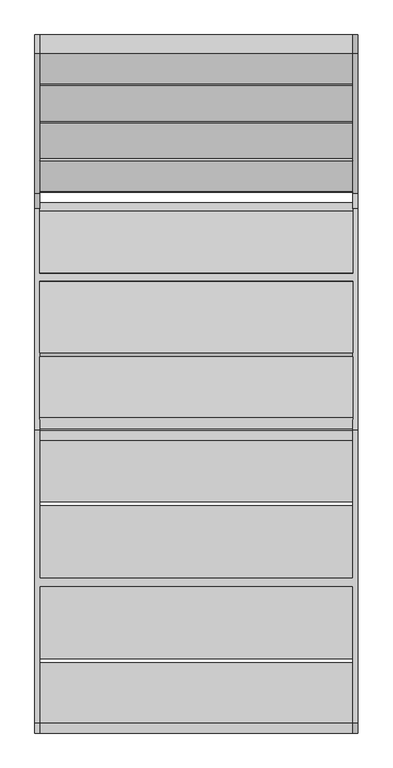
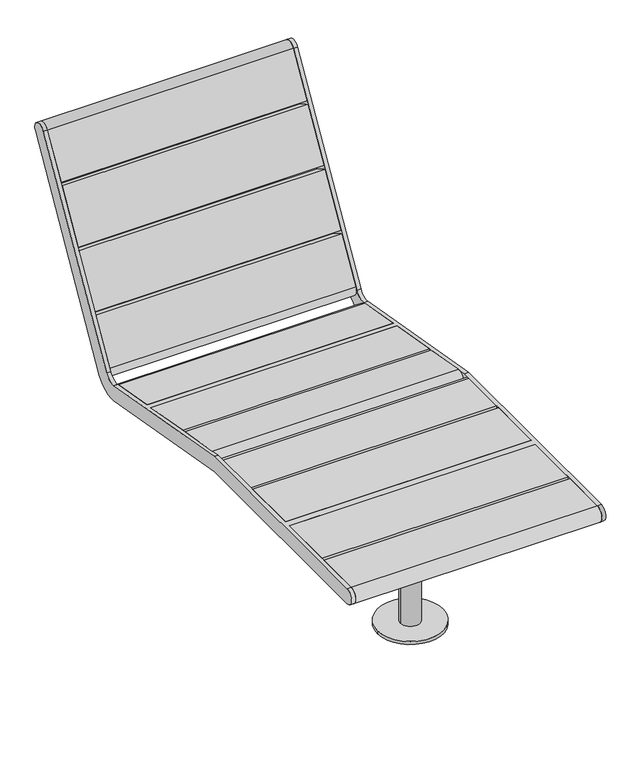
"""IFC4 building model written with IfcOpenShell, lengths in millimetres: furniture geometry."""

from ifc_helpers import new_model, si_unit, point, frame, frame_2d, origin, origin_with_axes, place, context, project, spatial, polyline, circle_curve, ellipse_curve, trimmed, segment, composite_curve, outline, extrude, source, transform, mapped, element, save
from ifc_brep_helpers import plane_surface, cylinder_surface, revolved_surface, advanced_brep


def furniture_3b8ddb16(model_context):
    return source(origin(), model_context, "Body", "SolidModel", [
        advanced_brep(
        [(-100.0, -721.5236916, 10.0), (100.0, -721.5236916, 10.0), (-30.0, -721.5236916, 10.0), (30.0, -721.5236916, 10.0), (-100.0, -721.5236916, 0.0), (100.0, -721.5236916, 0.0), (30.0, -721.5236916, 385.7752217), (-30.0, -721.5236916, 385.7752217), (49.7516144, -596.5236916, 401.7752217), (49.7516144, -846.5236916, 401.7752217), (49.7516144, -846.5236916, 385.7752217), (49.7516144, -596.5236916, 385.7752217), (-50.2483864, -596.5236916, 401.7752217), (-50.2483864, -596.5236916, 385.7752217), (-50.2483864, -846.5236916, 385.7752217), (-50.2483864, -846.5236916, 401.7752217)],
        [
            (0, 1, circle_curve(frame((0.0, -721.5236916, 10.0), z_axis=(0.0, 0.0, 1.0), x_axis=(1.0, 0.0, 0.0)), 100.0)),
            (1, 0, circle_curve(frame((0.0, -721.5236916, 10.0), z_axis=(0.0, 0.0, 1.0), x_axis=(1.0, 0.0, 0.0)), 100.0)),
            (2, 3, circle_curve(frame((0.0, -721.5236916, 10.0), z_axis=(0.0, 0.0, -1.0), x_axis=(1.0, 0.0, 0.0)), 30.0)),
            (3, 2, circle_curve(frame((0.0, -721.5236916, 10.0), z_axis=(0.0, 0.0, -1.0), x_axis=(1.0, 0.0, 0.0)), 30.0)),
            (4, 5, circle_curve(frame((0.0, -721.5236916, 0.0), z_axis=(0.0, 0.0, -1.0), x_axis=(1.0, 0.0, 0.0)), 100.0)),
            (5, 4, circle_curve(frame((0.0, -721.5236916, 0.0), z_axis=(0.0, 0.0, -1.0), x_axis=(1.0, 0.0, 0.0)), 100.0)),
            (1, 5),
            (4, 0),
            (6, 3),
            (2, 7),
            (7, 6, circle_curve(frame((0.0, -721.5236916, 385.7752217), z_axis=(0.0, 0.0, -1.0), x_axis=(1.0, 0.0, 0.0)), 30.0)),
            (6, 7, circle_curve(frame((0.0, -721.5236916, 385.7752217), z_axis=(0.0, 0.0, -1.0), x_axis=(1.0, 0.0, 0.0)), 30.0)),
            (8, 9),
            (9, 10),
            (10, 11),
            (11, 8),
            (12, 13),
            (13, 14),
            (14, 15),
            (15, 12),
            (11, 13),
            (12, 8),
            (10, 14),
            (9, 15),
        ],
        [
            plane_surface(frame((100.0, -721.5236916, 10.0), z_axis=(0.0, 0.0, 1.0), x_axis=(0.0, 1.0, 0.0))),
            plane_surface(frame((100.0, -721.5236916, 0.0), z_axis=(0.0, 0.0, -1.0), x_axis=(0.0, -1.0, 0.0))),
            cylinder_surface(frame((0.0, -721.5236916, 0.0), z_axis=(0.0, 0.0, 1.0), x_axis=(1.0, 0.0, 0.0)), 100.0),
            cylinder_surface(frame((0.0, -721.5236916, 10.0), z_axis=(0.0, 0.0, 1.0), x_axis=(1.0, 0.0, 0.0)), 30.0),
            plane_surface(frame((49.7516144, -846.5236916, 401.7752217), z_axis=(1.0, 0.0, 0.0), x_axis=(0.0, -1.0, 0.0))),
            plane_surface(frame((-50.2483864, -846.5236916, 401.7752217), z_axis=(-1.0, 0.0, 0.0), x_axis=(0.0, 1.0, 0.0))),
            plane_surface(frame((49.7516144, -596.5236916, 385.7752217), z_axis=(0.0, 1.0, 0.0), x_axis=(-1.0, 0.0, 0.0))),
            plane_surface(frame((49.7516144, -846.5236916, 385.7752217), z_axis=(0.0, 0.0, -1.0), x_axis=(-1.0, 0.0, 0.0))),
            plane_surface(frame((49.7516144, -846.5236916, 401.7752217), z_axis=(0.0, -1.0, 0.0), x_axis=(-1.0, 0.0, 0.0))),
            plane_surface(frame((49.7516144, -596.5236916, 401.7752217), z_axis=(0.0, 0.0, 1.0), x_axis=(-1.0, 0.0, 0.0))),
        ],
        [
            (0, [[1, 2], [3, 4]]),
            (1, [[5, 6]]),
            (2, [[-2, 7, -5, 8]]),
            (2, [[-1, -8, -6, -7]]),
            (3, [[9, -3, 10, 11]]),
            (3, [[-9, 12, -10, -4]]),
            (4, [[13, 14, 15, 16]]),
            (5, [[17, 18, 19, 20]]),
            (6, [[-16, 21, -17, 22]]),
            (7, [[-15, 23, -18, -21], [-11, -12]]),
            (8, [[-14, 24, -19, -23]]),
            (9, [[-13, -22, -20, -24]]),
        ],
    ),
        advanced_brep(
        [(-30.0, 0.0, 322.9079008), (-30.0, 0.0, 10.0), (30.0, 0.0, 10.0), (30.0, 0.0, 322.9079008), (49.7516144, -123.7164623, 360.7595139), (49.7516144, -126.4694785, 344.9981402), (49.7516144, 119.8019861, 301.9822626), (49.7516144, 122.5550023, 317.7436363), (-50.2483864, -123.7164623, 360.7595139), (-50.2483864, 122.5550023, 317.7436363), (-50.2483864, 119.8019861, 301.9822626), (-50.2483864, -126.4694785, 344.9981402), (-100.0, 0.0, 10.0), (100.0, 0.0, 10.0), (-100.0, 0.0, 0.0), (100.0, 0.0, 0.0)],
        [
            (0, 1),
            (1, 2, circle_curve(frame((0.0, 0.0, 10.0), z_axis=(0.0, 0.0, 1.0), x_axis=(1.0, 0.0, 0.0)), 30.0)),
            (2, 3),
            (3, 0, ellipse_curve(frame((0.0, 0.0, 322.9079008), z_axis=(0.0, -0.1720635103560778, -0.9850858583920206), x_axis=(0.0, -0.9850858583920206, 0.17206351035607725)), 30.4541982, 30.0)),
            (0, 3, ellipse_curve(frame((0.0, 0.0, 322.9079008), z_axis=(0.0, -0.1720635103560778, -0.9850858583920206), x_axis=(0.0, -0.9850858583920206, 0.17206351035607725)), 30.4541982, 30.0)),
            (2, 1, circle_curve(frame((0.0, 0.0, 10.0), z_axis=(0.0, 0.0, 1.0), x_axis=(1.0, 0.0, 0.0)), 30.0)),
            (4, 5),
            (5, 6),
            (6, 7),
            (7, 4),
            (8, 9),
            (9, 10),
            (10, 11),
            (11, 8),
            (4, 8),
            (11, 5),
            (10, 6),
            (9, 7),
            (12, 13, circle_curve(frame((0.0, 0.0, 10.0), z_axis=(0.0, 0.0, 1.0), x_axis=(1.0, 0.0, 0.0)), 100.0)),
            (13, 12, circle_curve(frame((0.0, 0.0, 10.0), z_axis=(0.0, 0.0, 1.0), x_axis=(1.0, 0.0, 0.0)), 100.0)),
            (14, 15, circle_curve(frame((0.0, 0.0, 0.0), z_axis=(0.0, 0.0, -1.0), x_axis=(1.0, 0.0, 0.0)), 100.0)),
            (15, 14, circle_curve(frame((0.0, 0.0, 0.0), z_axis=(0.0, 0.0, -1.0), x_axis=(1.0, 0.0, 0.0)), 100.0)),
            (12, 14),
            (15, 13),
        ],
        [
            cylinder_surface(frame((0.0, 0.0, 10.0), z_axis=(0.0, 0.0, 1.0), x_axis=(1.0, 0.0, 0.0)), 30.0),
            plane_surface(frame((49.7516144, -123.7164623, 360.7595139), z_axis=(1.0, 0.0, 0.0), x_axis=(0.0, -0.17206351035607553, -0.9850858583920209))),
            plane_surface(frame((-50.2483864, -123.7164623, 360.7595139), z_axis=(-1.0, 0.0, 0.0), x_axis=(0.0, 0.17206351035607553, 0.9850858583920209))),
            plane_surface(frame((49.7516144, -123.7164623, 360.7595139), z_axis=(0.0, -0.9850858583920209, 0.17206351035607553), x_axis=(-1.0, 0.0, 0.0))),
            plane_surface(frame((49.7516144, -126.4694785, 344.9981402), z_axis=(0.0, -0.1720635103560778, -0.9850858583920206), x_axis=(-1.0, 0.0, 0.0))),
            plane_surface(frame((49.7516144, 119.8019861, 301.9822626), z_axis=(0.0, 0.9850858583920209, -0.17206351035607553), x_axis=(-1.0, 0.0, 0.0))),
            plane_surface(frame((49.7516144, 122.5550023, 317.7436363), z_axis=(0.0, 0.1720635103560778, 0.9850858583920206), x_axis=(-1.0, 0.0, 0.0))),
            plane_surface(frame((100.0, 0.0, 10.0), z_axis=(0.0, 0.0, 1.0), x_axis=(0.0, 1.0, 0.0))),
            plane_surface(frame((100.0, 0.0, 0.0), z_axis=(0.0, 0.0, -1.0), x_axis=(0.0, -1.0, 0.0))),
            cylinder_surface(origin_with_axes(), 100.0),
        ],
        [
            (0, [[1, 2, 3, 4]]),
            (0, [[-1, 5, -3, 6]]),
            (1, [[7, 8, 9, 10]]),
            (2, [[11, 12, 13, 14]]),
            (3, [[-7, 15, -14, 16]]),
            (4, [[-8, -16, -13, 17], [-4, -5]]),
            (5, [[-9, -17, -12, 18]]),
            (6, [[-10, -18, -11, -15]]),
            (7, [[19, 20], [-2, -6]]),
            (8, [[21, 22]]),
            (9, [[-19, 23, -22, 24]]),
            (9, [[-20, -24, -21, -23]]),
        ],
    ),
        extrude(outline(composite_curve([segment(polyline([(18.1595311, 384.1718248), (167.0587782, 358.0606488)]), True, "CONTINUOUS"), segment(trimmed(circle_curve(frame_2d((162.9597398, 334.6858405)), 23.7314934), [point((167.0587782, 358.0606488))], [point((158.8600934, 311.3111388))], False, "CARTESIAN"), True, "CONTINUOUS"), segment(polyline([(158.8600934, 311.3111388), (9.9626627, 337.4259885), (18.1595311, 384.1718248)]), True, "CONTINUOUS")], self_intersect=False)), frame((-374.9999971, 0.0, 0.0), z_axis=(1.0, 0.0, 0.0), x_axis=(0.0, 1.0, 0.0)), (0.0, 0.0, 1.0), 750.0000214),
        extrude(outline(composite_curve([segment(polyline([(-181.8474878, 419.2453202), (-190.0856884, 372.2637707), (-334.9313858, 397.6624204)]), True, "CONTINUOUS"), segment(trimmed(circle_curve(frame_2d((-330.8121417, 421.1540151)), 23.8500145), [point((-334.9313858, 397.6624204))], [point((-326.6926316, 444.6455631))], False, "CARTESIAN"), True, "CONTINUOUS"), segment(polyline([(-326.6926316, 444.6455631), (-181.8474878, 419.2453202)]), True, "CONTINUOUS")], self_intersect=False)), frame((-374.9999971, 0.0, 0.0), z_axis=(1.0, 0.0, 0.0), x_axis=(0.0, 1.0, 0.0)), (0.0, 0.0, 1.0), 750.0000214),
        extrude(outline(polyline([(-1.5570631, 387.6293538), (-9.755477, 340.8778153), (-180.2194624, 370.5240938), (-171.9796403, 417.5148904), (-1.5570631, 387.6293538)])), frame((-374.9999971, 0.0, 0.0), z_axis=(1.0, 0.0, 0.0), x_axis=(0.0, 1.0, 0.0)), (0.0, 0.0, 1.0), 750.0000214),
        advanced_brep(
        [(-374.9999971, -1.5567879, 387.6293055), (-374.9999971, -357.1818317, 449.9922005), (-374.9999971, -711.7614578, 449.9922005), (-374.9999971, -711.7611848, 401.7752217), (-374.9999971, -358.7616772, 401.7752217), (-374.9999971, -9.7315423, 340.8106371), (-374.9999971, 585.4477964, 925.7460884), (-374.9999971, 543.6830723, 949.962694), (-374.9999971, 210.109355, 374.6536659), (-374.9999971, 172.4523933, 357.114817), (-374.9999971, 18.142614, 384.1747914), (-374.9999971, 9.9701721, 337.3693673), (-374.9999971, 172.2635425, 309.021821), (-374.9999971, 248.4256993, 344.5245381), (-374.9999971, -1058.7611286, 449.9922005), (-374.9999971, -1058.7611286, 401.7752217), (-374.9999971, -731.761182, 401.7752217), (-374.9999971, -731.7614549, 449.9922005), (-386.9999971, 585.4477964, 925.7460884), (-386.9999971, 248.4256993, 344.5245381), (-386.9999971, 172.2635425, 309.021821), (-386.9999971, -358.7616772, 401.7752217), (-386.9999971, -1058.7611286, 401.7752217), (-386.9999971, -1058.7611286, 449.9922005), (-386.9999971, -357.1818317, 449.9922005), (-386.9999971, 172.4523933, 357.114817), (-386.9999971, 210.109355, 374.6536659), (-386.9999971, 543.6830723, 949.962694), (375.0000242, -1.5593139, 387.6148384), (375.0000242, -9.7315863, 340.8103851), (375.0000242, 18.142614, 384.1747914), (374.9999971, 9.9703416, 337.3703381), (374.9999971, -357.1818317, 449.9922005), (386.9999971, -357.1818317, 449.9922005), (386.9999971, 172.4523933, 357.114817), (374.9999971, 172.4523933, 357.114817), (375.0000242, -731.7614549, 449.9922005), (374.9999971, -1058.7611286, 449.9922005), (386.9999971, -1058.7611286, 449.9922005), (374.9999971, -711.7614578, 449.9922005), (375.0000242, -711.7611848, 401.7752217), (374.9999971, -358.7616772, 401.7752217), (386.9999971, -358.7616772, 401.7752217), (386.9999971, -1058.7611286, 401.7752217), (374.9999971, -1058.7611286, 401.7752217), (374.9999971, -731.761182, 401.7752217), (374.9999971, 172.2635425, 309.021821), (386.9999971, 172.2635425, 309.021821), (374.9999971, 585.4477964, 925.7460884), (374.9999971, 248.4256993, 344.5245381), (374.9999971, 210.109355, 374.6536659), (374.9999971, 543.6830723, 949.962694), (386.9999971, 585.4477964, 925.7460884), (386.9999971, 543.6830723, 949.962694), (386.9999971, 210.109355, 374.6536659), (386.9999971, 248.4256993, 344.5245381)],
        [
            (0, 1),
            (1, 2),
            (2, 3),
            (3, 4),
            (4, 5),
            (5, 0),
            (6, 7, circle_curve(frame((-374.9999971, 564.5655918, 937.8546628), z_axis=(1.0, 0.0, 0.0), x_axis=(0.0, -1.0, 0.0)), 24.1388492)),
            (7, 8),
            (8, 9, circle_curve(frame((-374.9999971, 178.719654, 392.8539352), z_axis=(-1.0, 0.0, 0.0), x_axis=(0.0, -1.0, 0.0)), 36.284475)),
            (9, 10),
            (10, 11),
            (11, 12),
            (12, 13, circle_curve(frame((-374.9999971, 184.898862, 381.3606601), z_axis=(1.0, 0.0, 0.0), x_axis=(0.0, -1.0, 0.0)), 73.4340448)),
            (13, 6),
            (14, 15, circle_curve(frame((-374.9999971, -1058.7611286, 425.8837111), z_axis=(1.0, 0.0, 0.0), x_axis=(0.0, -1.0, 0.0)), 24.1084894)),
            (15, 16),
            (16, 17),
            (17, 14),
            (18, 19),
            (19, 20, circle_curve(frame((-386.9999971, 184.898862, 381.3606601), z_axis=(-1.0, 0.0, 0.0), x_axis=(0.0, -1.0, 0.0)), 73.4340448)),
            (20, 21),
            (21, 22),
            (22, 23, circle_curve(frame((-386.9999971, -1058.7611286, 425.8837111), z_axis=(-1.0, 0.0, 0.0), x_axis=(0.0, -1.0, 0.0)), 24.1084894)),
            (23, 24),
            (24, 25),
            (25, 26, circle_curve(frame((-386.9999971, 178.719654, 392.8539352), z_axis=(1.0, 0.0, 0.0), x_axis=(0.0, -1.0, 0.0)), 36.284475)),
            (26, 27),
            (27, 18, circle_curve(frame((-386.9999971, 564.5655918, 937.8546628), z_axis=(-1.0, 0.0, 0.0), x_axis=(0.0, -1.0, 0.0)), 24.1388492)),
            (28, 0),
            (5, 29),
            (29, 28),
            (10, 30),
            (30, 31),
            (31, 11),
            (7, 27),
            (26, 8),
            (24, 1),
            (28, 32),
            (32, 33),
            (33, 34),
            (34, 35),
            (35, 30),
            (9, 25),
            (23, 14),
            (17, 36),
            (36, 37),
            (37, 38),
            (38, 33),
            (32, 39),
            (39, 2),
            (21, 4),
            (3, 40),
            (40, 41),
            (41, 42),
            (42, 43),
            (43, 44),
            (44, 45),
            (45, 16),
            (15, 22),
            (20, 12),
            (31, 46),
            (46, 47),
            (47, 42),
            (41, 29),
            (13, 19),
            (18, 6),
            (45, 36),
            (39, 40),
            (48, 49),
            (49, 46, circle_curve(frame((374.9999971, 184.898862, 381.3606601), z_axis=(-1.0, 0.0, 0.0), x_axis=(0.0, -1.0, 0.0)), 73.4340448)),
            (35, 50, circle_curve(frame((374.9999971, 178.719654, 392.8539352), z_axis=(1.0, 0.0, 0.0), x_axis=(0.0, -1.0, 0.0)), 36.284475)),
            (50, 51),
            (51, 48, circle_curve(frame((374.9999971, 564.5655918, 937.8546628), z_axis=(-1.0, 0.0, 0.0), x_axis=(0.0, -1.0, 0.0)), 24.1388492)),
            (44, 37, circle_curve(frame((374.9999971, -1058.7611286, 425.8837111), z_axis=(-1.0, 0.0, 0.0), x_axis=(0.0, -1.0, 0.0)), 24.1084894)),
            (52, 53, circle_curve(frame((386.9999971, 564.5655918, 937.8546628), z_axis=(1.0, 0.0, 0.0), x_axis=(0.0, -1.0, 0.0)), 24.1388492)),
            (53, 54),
            (54, 34, circle_curve(frame((386.9999971, 178.719654, 392.8539352), z_axis=(-1.0, 0.0, 0.0), x_axis=(0.0, -1.0, 0.0)), 36.284475)),
            (38, 43, circle_curve(frame((386.9999971, -1058.7611286, 425.8837111), z_axis=(1.0, 0.0, 0.0), x_axis=(0.0, -1.0, 0.0)), 24.1084894)),
            (47, 55, circle_curve(frame((386.9999971, 184.898862, 381.3606601), z_axis=(1.0, 0.0, 0.0), x_axis=(0.0, -1.0, 0.0)), 73.4340448)),
            (55, 52),
            (50, 54),
            (53, 51),
            (48, 52),
            (55, 49),
        ],
        [
            plane_surface(frame((-374.9999971, 540.4267426, 937.8546628), z_axis=(1.0, 0.0, 0.0), x_axis=(0.0, 0.0, -1.0))),
            plane_surface(frame((-386.9999971, 540.4267426, 937.8546628), z_axis=(-1.0, 0.0, 0.0), x_axis=(0.0, 0.0, 1.0))),
            plane_surface(frame((375.0000242, -1.5593139, 387.6148384), z_axis=(0.0, -0.9850965343456947, 0.17200237794897386), x_axis=(-1.0, 0.0, 0.0))),
            plane_surface(frame((375.0000242, 9.9703416, 337.3703381), z_axis=(0.0, 0.9850965343456948, -0.17200237794897355), x_axis=(-1.0, 0.0, 0.0))),
            plane_surface(frame((-374.9999971, 543.6830723, 949.962694), z_axis=(0.0, -0.8651000442729311, 0.5015993554610819), x_axis=(-1.0, 0.0, 0.0))),
            plane_surface(frame((-374.9999971, 172.4523933, 357.114817), z_axis=(0.0, 0.17272568332846575, 0.984969968231882), x_axis=(-1.0, 0.0, 0.0))),
            plane_surface(frame((-374.9999971, -357.1818317, 449.9922005), z_axis=(0.0, 0.0, 1.0), x_axis=(-1.0, 0.0, 0.0))),
            plane_surface(frame((-374.9999971, -1058.7611286, 401.7752217), z_axis=(0.0, 0.0, -1.0), x_axis=(-1.0, 0.0, 0.0))),
            plane_surface(frame((-374.9999971, -358.7616772, 401.7752217), z_axis=(0.0, -0.1720635103560775, -0.9850858583920206), x_axis=(-1.0, 0.0, 0.0))),
            plane_surface(frame((-374.9999971, 248.4256993, 344.5245381), z_axis=(0.0, 0.8650869967281968, -0.501621857669489), x_axis=(-1.0, 0.0, 0.0))),
            plane_surface(frame((375.0000242, -731.7614549, 449.9921439), z_axis=(0.0, -0.9999999999839781, -5.660728431067984e-06), x_axis=(-1.0, 0.0, 0.0))),
            plane_surface(frame((375.0000242, -711.7611848, 401.7752752), z_axis=(0.0, 0.9999999999839781, 5.6607284310679754e-06), x_axis=(-1.0, 0.0, 0.0))),
            cylinder_surface(frame((-386.9999971, 564.5655918, 937.8546628), z_axis=(1.0, 0.0, 0.0), x_axis=(0.0, -1.0, 0.0)), 24.1388492),
            cylinder_surface(frame((-386.9999971, -1058.7611286, 425.8837111), z_axis=(1.0, 0.0, 0.0), x_axis=(0.0, -1.0, 0.0)), 24.1084894),
            revolved_surface(polyline([(-386.9999971, 142.435179, 392.8539352), (-374.9999971, 142.435179, 392.8539352)]), (-386.9999971, 178.719654, 392.8539352), (-1.0, 0.0, 0.0)),
            cylinder_surface(frame((-386.9999971, 184.898862, 381.3606601), z_axis=(1.0, 0.0, 0.0), x_axis=(0.0, -1.0, 0.0)), 73.4340448),
            plane_surface(frame((374.9999971, 244.4453991, 337.6601922), z_axis=(-1.0000000000000002, 0.0, 0.0), x_axis=(0.0, -0.501621857669489, -0.8650869967281968))),
            plane_surface(frame((386.9999971, 244.4453991, 337.6601922), z_axis=(1.0000000000000002, 0.0, 0.0), x_axis=(0.0, 0.501621857669489, 0.8650869967281968))),
            plane_surface(frame((374.9999971, 210.109355, 374.6536659), z_axis=(0.0, -0.8651000442729311, 0.5015993554610819), x_axis=(1.0, 0.0, 0.0))),
            plane_surface(frame((374.9999971, 585.4477964, 925.7460884), z_axis=(0.0, 0.8650869967281968, -0.501621857669489), x_axis=(1.0, 0.0, 0.0))),
            cylinder_surface(frame((386.9999971, 564.5655918, 937.8546628), z_axis=(-1.0, 0.0, 0.0), x_axis=(0.0, -1.0, 0.0)), 24.1388492),
            cylinder_surface(frame((386.9999971, -1058.7611286, 425.8837111), z_axis=(-1.0, 0.0, 0.0), x_axis=(0.0, -1.0, 0.0)), 24.1084894),
            revolved_surface(polyline([(386.9999971, 142.435179, 392.8539352), (374.9999971, 142.435179, 392.8539352)]), (386.9999971, 178.719654, 392.8539352), (1.0, 0.0, 0.0)),
            cylinder_surface(frame((386.9999971, 184.898862, 381.3606601), z_axis=(-1.0, 0.0, 0.0), x_axis=(0.0, -1.0, 0.0)), 73.4340448),
        ],
        [
            (0, [[1, 2, 3, 4, 5, 6]]),
            (0, [[7, 8, 9, 10, 11, 12, 13, 14]]),
            (0, [[15, 16, 17, 18]]),
            (1, [[19, 20, 21, 22, 23, 24, 25, 26, 27, 28]]),
            (2, [[29, -6, 30, 31]]),
            (3, [[32, 33, 34, -11]]),
            (4, [[-8, 35, -27, 36]]),
            (5, [[-25, 37, -1, -29, 38, 39, 40, 41, 42, -32, -10, 43]]),
            (6, [[-24, 44, -18, 45, 46, 47, 48, -39, 49, 50, -2, -37]]),
            (7, [[-22, 51, -4, 52, 53, 54, 55, 56, 57, 58, -16, 59]]),
            (8, [[-21, 60, -12, -34, 61, 62, 63, -54, 64, -30, -5, -51]]),
            (9, [[-14, 65, -19, 66]]),
            (10, [[-45, -17, -58, 67]]),
            (11, [[-52, -3, -50, 68]]),
            (12, [[-7, -66, -28, -35]]),
            (13, [[-15, -44, -23, -59]]),
            (14, [[-9, -36, -26, -43]]),
            (15, [[-13, -60, -20, -65]]),
            (16, [[-49, -38, -31, -64, -53, -68]]),
            (16, [[69, 70, -61, -33, -42, 71, 72, 73]]),
            (16, [[74, -46, -67, -57]]),
            (17, [[75, 76, 77, -40, -48, 78, -55, -63, 79, 80]]),
            (18, [[-72, 81, -76, 82]]),
            (19, [[-69, 83, -80, 84]]),
            (20, [[-73, -82, -75, -83]]),
            (21, [[-74, -56, -78, -47]]),
            (22, [[-71, -41, -77, -81]]),
            (23, [[-70, -84, -79, -62]]),
        ],
    ),
        extrude(outline(composite_curve([segment(polyline([(471.5451034, 825.5475419), (543.6943923, 949.9822174)]), True, "CONTINUOUS"), segment(trimmed(circle_curve(frame_2d((564.5494989, 937.8900806)), 24.1071616), [point((543.6943923, 949.9822174))], [point((585.4042909, 925.7974014))], False, "CARTESIAN"), True, "CONTINUOUS"), segment(polyline([(585.4042909, 925.7974014), (513.2181415, 801.3066158), (471.5451034, 825.5475419)]), True, "CONTINUOUS")], self_intersect=False)), frame((-374.9999971, 0.0, 0.0), z_axis=(1.0, 0.0, 0.0), x_axis=(0.0, 1.0, 0.0)), (0.0, 0.0, 1.0), 750.0000214),
        extrude(outline(polyline([(382.2060039, 671.4659052), (466.5161317, 816.8741768), (508.2154186, 792.6266246), (423.7315104, 647.3887277), (382.2060039, 671.4659052)])), frame((-374.9999971, 0.0, 0.0), z_axis=(1.0, 0.0, 0.0), x_axis=(0.0, 1.0, 0.0)), (0.0, 0.0, 1.0), 750.0000214),
        extrude(outline(composite_curve([segment(polyline([(287.8509269, 508.7332587), (329.5918386, 484.6093931), (256.4125388, 358.3907091)]), True, "CONTINUOUS"), segment(trimmed(circle_curve(frame_2d((235.5570953, 370.4823164)), 24.1071875), [point((256.4125388, 358.3907091))], [point((214.7019663, 382.5744661))], False, "CARTESIAN"), True, "CONTINUOUS"), segment(polyline([(214.7019663, 382.5744661), (287.8509269, 508.7332587)]), True, "CONTINUOUS")], self_intersect=False)), frame((-374.9999971, 0.0, 0.0), z_axis=(1.0, 0.0, 0.0), x_axis=(0.0, 1.0, 0.0)), (0.0, 0.0, 1.0), 750.0000214),
        extrude(outline(polyline([(377.1900103, 662.8149048), (418.7155169, 638.7377273), (334.6395851, 493.2632789), (292.8798825, 517.4066332), (377.1900103, 662.8149048)])), frame((-374.9999971, 0.0, 0.0), z_axis=(1.0, 0.0, 0.0), x_axis=(0.0, 1.0, 0.0)), (0.0, 0.0, 1.0), 750.0000214),
        extrude(outline(composite_curve([segment(polyline([(-528.7213941, 449.9901755), (-382.8929488, 449.9885245)]), True, "CONTINUOUS"), segment(trimmed(circle_curve(frame_2d((-382.8932217, 425.8813379)), 24.1071866), [point((-382.8929488, 449.9885245))], [point((-382.8941217, 401.7741513))], False, "CARTESIAN"), True, "CONTINUOUS"), segment(polyline([(-382.8941217, 401.7741513), (-528.7213941, 401.7795954), (-528.7213941, 449.9901755)]), True, "CONTINUOUS")], self_intersect=False)), frame((-374.9999971, 0.0, 0.0), z_axis=(1.0, 0.0, 0.0), x_axis=(0.0, 1.0, 0.0)), (0.0, 0.0, 1.0), 750.0000214),
        extrude(outline(polyline([(-711.7614578, 449.9922571), (-538.6790486, 449.9902975), (-538.7398178, 401.7536867), (-711.7620011, 401.9984594), (-711.7614578, 449.9922571)])), frame((-374.9999971, 0.0, 0.0), z_axis=(1.0, 0.0, 0.0), x_axis=(0.0, 1.0, 0.0)), (0.0, 0.0, 1.0), 750.0000214),
        extrude(outline(composite_curve([segment(polyline([(-914.8032144, 449.9942069), (-914.8032144, 401.7836268), (-1058.7349664, 401.7836268)]), True, "CONTINUOUS"), segment(trimmed(circle_curve(frame_2d((-1058.7349664, 425.8897316)), 24.1061048), [point((-1058.7349664, 401.7836268))], [point((-1058.7346935, 449.9958364))], False, "CARTESIAN"), True, "CONTINUOUS"), segment(polyline([(-1058.7346935, 449.9958364), (-914.8032144, 449.9942069)]), True, "CONTINUOUS")], self_intersect=False)), frame((-374.9999971, 0.0, 0.0), z_axis=(1.0, 0.0, 0.0), x_axis=(0.0, 1.0, 0.0)), (0.0, 0.0, 1.0), 750.0000214),
        extrude(outline(polyline([(-731.7616711, 449.9921439), (-731.7622145, 401.9983467), (-904.7847913, 401.7574912), (-904.7847913, 449.9941028), (-731.7616711, 449.9921439)])), frame((-374.9999971, 0.0, 0.0), z_axis=(1.0, 0.0, 0.0), x_axis=(0.0, 1.0, 0.0)), (0.0, 0.0, 1.0), 750.0000214),
    ])


if __name__ == "__main__":
    model = new_model("IFC4")
    model_context = context("Model", 3, world=origin())
    ifc_project = project(units=[si_unit("LENGTHUNIT", "METRE", prefix="MILLI")], contexts=[model_context])
    site = spatial("IfcSite", under=ifc_project)
    building = spatial("IfcBuilding", under=site)
    placement = place(None, origin())
    furniture_shape = furniture_3b8ddb16(model_context)
    element("IfcFurniture", 1, at=placement, inside=building, context=model_context, shape_type="MappedRepresentation", body=[
        mapped(furniture_shape, transform((0.0, 0.0, 0.0), x_axis=(1.0, 0.0, 0.0), y_axis=(0.0, 1.0, 0.0), z_axis=(0.0, 0.0, 1.0))),
    ])
    save(model, "model.ifc")
